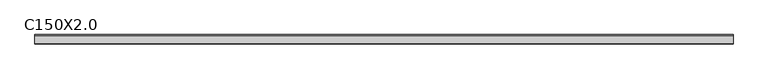
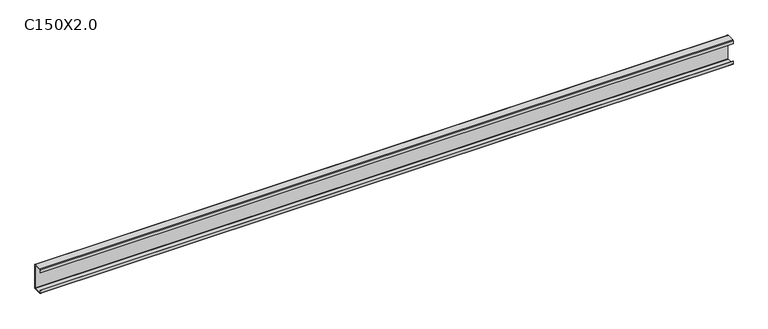
"""IFC4 building model written with IfcOpenShell, lengths in millimetres: beam geometry, C150X2.0."""

from ifc_helpers import new_model, si_unit, point, frame, frame_2d, origin, place, context, project, spatial, polyline, circle_curve, trimmed, segment, composite_curve, outline, extrude, source, transform, mapped, element, save


def c150x2_0_13958c4f(model_context):
    return source(origin(), model_context, "Body", "SweptSolid", [
        extrude(outline(composite_curve([segment(polyline([(-25.5, 54.4545455), (-27.5, 54.4545455), (-27.5, 71.0)]), True, "CONTINUOUS"), segment(trimmed(circle_curve(frame_2d((-23.5, 71.0)), 4.0), [point((-27.5, 71.0))], [point((-23.5, 75.0))], False, "CARTESIAN"), True, "CONTINUOUS"), segment(polyline([(-23.5, 75.0), (23.5, 75.0)]), True, "CONTINUOUS"), segment(trimmed(circle_curve(frame_2d((23.5, 71.0)), 4.0), [point((23.5, 75.0))], [point((27.5, 71.0))], False, "CARTESIAN"), True, "CONTINUOUS"), segment(polyline([(27.5, 71.0), (27.5, -71.0)]), True, "CONTINUOUS"), segment(trimmed(circle_curve(frame_2d((23.5, -71.0)), 4.0), [point((27.5, -71.0))], [point((23.5, -75.0))], False, "CARTESIAN"), True, "CONTINUOUS"), segment(polyline([(23.5, -75.0), (-23.5, -75.0)]), True, "CONTINUOUS"), segment(trimmed(circle_curve(frame_2d((-23.5, -71.0)), 4.0), [point((-23.5, -75.0))], [point((-27.5, -71.0))], False, "CARTESIAN"), True, "CONTINUOUS"), segment(polyline([(-27.5, -71.0), (-27.5, -54.9772112), (-25.5, -54.9772112), (-25.5, -71.0)]), True, "CONTINUOUS"), segment(trimmed(circle_curve(frame_2d((-23.5, -71.0)), 2.0), [point((-25.5, -71.0))], [point((-23.5, -73.0))], True, "CARTESIAN"), True, "CONTINUOUS"), segment(polyline([(-23.5, -73.0), (23.5, -73.0)]), True, "CONTINUOUS"), segment(trimmed(circle_curve(frame_2d((23.5, -71.0)), 2.0), [point((23.5, -73.0))], [point((25.5, -71.0))], True, "CARTESIAN"), True, "CONTINUOUS"), segment(polyline([(25.5, -71.0), (25.5, 71.0)]), True, "CONTINUOUS"), segment(trimmed(circle_curve(frame_2d((23.5, 71.0)), 2.0), [point((25.5, 71.0))], [point((23.5, 73.0))], True, "CARTESIAN"), True, "CONTINUOUS"), segment(polyline([(23.5, 73.0), (-23.5, 73.0)]), True, "CONTINUOUS"), segment(trimmed(circle_curve(frame_2d((-23.5, 71.0)), 2.0), [point((-23.5, 73.0))], [point((-25.5, 71.0))], True, "CARTESIAN"), True, "CONTINUOUS"), segment(polyline([(-25.5, 71.0), (-25.5, 54.4545455)]), True, "CONTINUOUS")], self_intersect=False)), frame((-2012.3, 0.0, 0.0), z_axis=(1.0, 0.0, 0.0), x_axis=(0.0, 1.0, 0.0)), (0.0, 0.0, 1.0), 4024.6),
    ])


if __name__ == "__main__":
    model = new_model("IFC4")
    model_context = context("Model", 3, world=origin())
    ifc_project = project(units=[si_unit("LENGTHUNIT", "METRE", prefix="MILLI")], contexts=[model_context])
    site = spatial("IfcSite", under=ifc_project)
    building = spatial("IfcBuilding", under=site)
    placement = place(None, origin())
    c150x2_0_shape = c150x2_0_13958c4f(model_context)
    element("IfcBeam", 1, ObjectType="C150X2.0", at=placement, inside=building, context=model_context, shape_type="MappedRepresentation", body=[
        mapped(c150x2_0_shape, transform((0.0, 0.0, 0.0), x_axis=(1.0, 0.0, 0.0), y_axis=(0.0, 1.0, 0.0), z_axis=(0.0, 0.0, 1.0))),
    ])
    save(model, "model.ifc")
